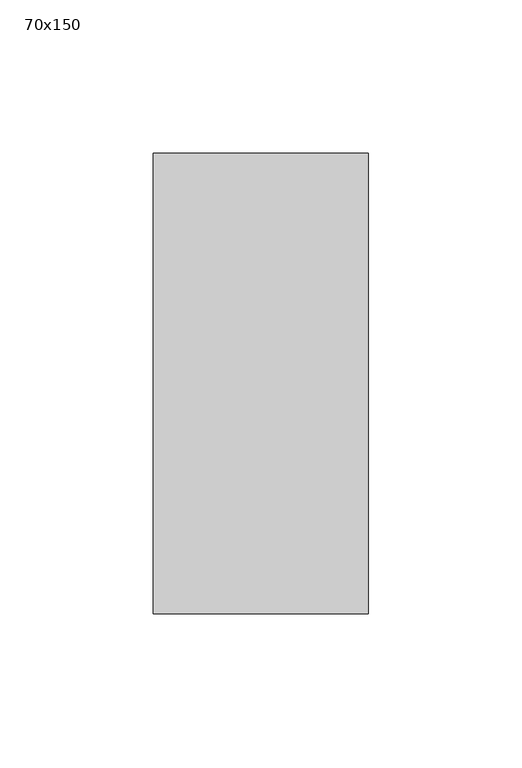
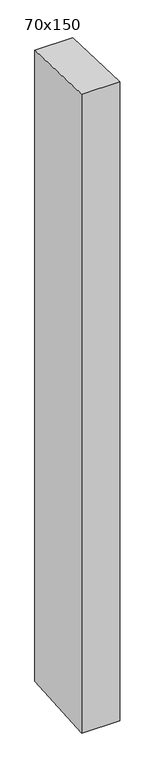
"""IFC4 building model written with IfcOpenShell, lengths in millimetres: member geometry, 70x150."""

from ifc_helpers import new_model, si_unit, frame, origin, place, context, project, spatial, polyline, outline, extrude, source, transform, mapped, element, save


def member_70x150_1d1a160b(model_context):
    return source(origin(), model_context, "Body", "SweptSolid", [
        extrude(outline(polyline([(-75.0, 2.8600187), (75.0, -2.8600187), (75.0, -1234.4921474), (-75.0, -1244.3868567), (-75.0, 2.8600187)])), frame((-35.0, 0.0, 0.0), z_axis=(1.0, 0.0, 0.0), x_axis=(0.0, 1.0, 0.0)), (0.0, 0.0, 1.0), 70.0),
    ])


if __name__ == "__main__":
    model = new_model("IFC4")
    model_context = context("Model", 3, world=origin())
    ifc_project = project(units=[si_unit("LENGTHUNIT", "METRE", prefix="MILLI")], contexts=[model_context])
    site = spatial("IfcSite", under=ifc_project)
    building = spatial("IfcBuilding", under=site)
    placement = place(None, origin())
    member_70x150_shape = member_70x150_1d1a160b(model_context)
    element("IfcMember", 1, ObjectType="70x150", at=placement, inside=building, context=model_context, shape_type="MappedRepresentation", body=[
        mapped(member_70x150_shape, transform((0.0, 0.0, 0.0), x_axis=(1.0, 0.0, 0.0), y_axis=(0.0, 1.0, 0.0), z_axis=(0.0, 0.0, 1.0))),
    ])
    save(model, "model.ifc")
